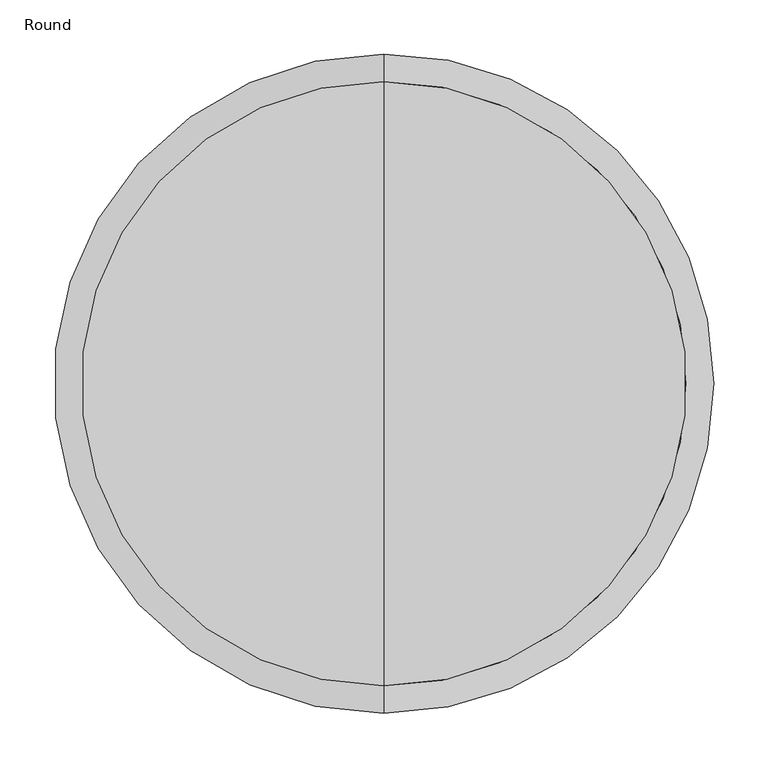
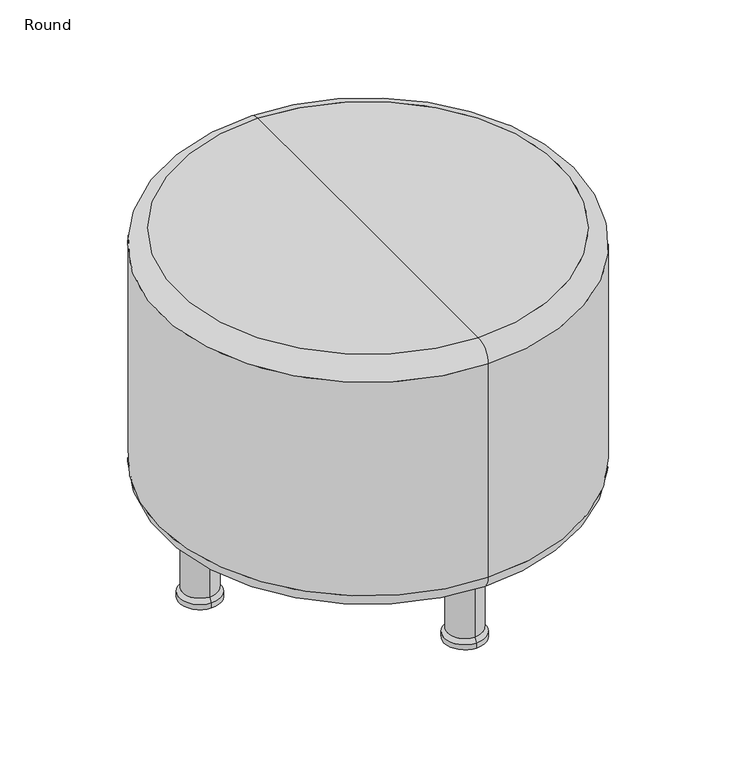
"""IFC4 building model written with IfcOpenShell, lengths in millimetres: furniture geometry, Round."""

import ifcopenshell
import ifcopenshell.guid

model = None  # the IFC model being written
_history = None  # IfcOwnerHistory: only IFC2X3 demands one
_inside = {}  # id of a spatial element -> (the spatial element, [elements in it])
_under = {}  # id of a project, library or spatial element -> (it, [spatial elements below it])
_declared = {}  # id of a project -> (the project, [libraries it declares])
_typed = {}  # id of a type object -> (the type object, [elements of that type])
_made_of = {}  # id of a material, layer set ... -> (it, [elements and type objects made of it])


def new_model(schema):
    """Start an empty IFC model of exactly this schema.

    Asked for "IFC4X3", IfcOpenShell would pick the latest addendum, in which some entities
    have other attributes; the version numbers below select the first issue.
    IFC2X3 requires an IfcOwnerHistory on every rooted entity: one is made here for all.
    """
    global model, _history
    if schema == "IFC4X3":
        model = ifcopenshell.file(schema_version=(4, 3, 0, 0))
    else:
        model = ifcopenshell.file(schema=schema)
    _inside.clear()
    _under.clear()
    _declared.clear()
    _typed.clear()
    _made_of.clear()
    _history = None
    if model.schema == "IFC2X3":
        org = make("IfcOrganization", Name="unknown")
        user = make(
            "IfcPersonAndOrganization",
            ThePerson=make("IfcPerson", FamilyName="unknown"),
            TheOrganization=org,
        )
        app = make(
            "IfcApplication",
            ApplicationDeveloper=org,
            Version="unknown",
            ApplicationFullName="unknown",
            ApplicationIdentifier="unknown",
        )
        _history = make(
            "IfcOwnerHistory",
            OwningUser=user,
            OwningApplication=app,
            ChangeAction="ADDED",
            CreationDate=0,
        )
    return model


def make(cls, **values):
    """One entity of the class cls with the attributes given. An attribute that is None is left unset."""
    return model.create_entity(
        cls, **{name: value for name, value in values.items() if value is not None}
    )


def rooted(cls, **values):
    """An entity with a GlobalId (a new one), such as an element, a storey or a relation."""
    return make(cls, GlobalId=ifcopenshell.guid.new(), OwnerHistory=_history, **values)


def si_unit(unit_type, name, prefix=None):
    """IfcSIUnit, for example si_unit("LENGTHUNIT", "METRE", prefix="MILLI")."""
    return make("IfcSIUnit", UnitType=unit_type, Prefix=prefix, Name=name)


def assignment(units):
    """IfcUnitAssignment: the units of a project."""
    return None if units is None else make("IfcUnitAssignment", Units=units)


def point(xyz):
    """IfcCartesianPoint."""
    return None if xyz is None else make("IfcCartesianPoint", Coordinates=xyz)


def direction(xyz):
    """IfcDirection."""
    return None if xyz is None else make("IfcDirection", DirectionRatios=xyz)


def frame(location, z_axis=None, x_axis=None):
    """IfcAxis2Placement3D, a coordinate frame: its origin and axes. An axis left out is left unset."""
    return make(
        "IfcAxis2Placement3D",
        Location=point(location),
        Axis=direction(z_axis),
        RefDirection=direction(x_axis),
    )


def origin():
    """The frame at (0, 0, 0) with its axes left unset."""
    return frame((0.0, 0.0, 0.0))


def place(relative_to, where):
    """IfcLocalPlacement: puts the frame where relative to a parent placement (None: the world)."""
    return make(
        "IfcLocalPlacement", PlacementRelTo=relative_to, RelativePlacement=where
    )


def context(
    kind, dimensions, precision=None, world=None, true_north=None, identifier=None
):
    """IfcGeometricRepresentationContext, for example the 3D "Model" context."""
    return make(
        "IfcGeometricRepresentationContext",
        ContextIdentifier=identifier,
        ContextType=kind,
        CoordinateSpaceDimension=dimensions,
        Precision=precision,
        WorldCoordinateSystem=world,
        TrueNorth=true_north,
    )


def project(units=None, contexts=None):
    """IfcProject with its units and contexts."""
    return rooted(
        "IfcProject",
        Name="project",
        RepresentationContexts=contexts,
        UnitsInContext=assignment(units),
    )


def spatial(cls, under=None, at=None, **own):
    """A site, building, storey or space (cls), placed at a placement, below another one or the project."""
    s = rooted(cls, ObjectPlacement=at, **own)
    if under is not None:
        _under.setdefault(under.id(), (under, []))[1].append(s)
    return s


def polyline(points):
    """IfcPolyline through the points."""
    return make("IfcPolyline", Points=[point(p) for p in points])


def circle_curve(where, radius):
    """IfcCircle in the frame where."""
    return make("IfcCircle", Position=where, Radius=radius)


def ellipse_curve(where, semi_axis1, semi_axis2):
    """IfcEllipse in the frame where."""
    return make(
        "IfcEllipse", Position=where, SemiAxis1=semi_axis1, SemiAxis2=semi_axis2
    )


def trimmed(basis, trim1, trim2, sense, master):
    """IfcTrimmedCurve: the piece of a basis curve between two trims."""
    return make(
        "IfcTrimmedCurve",
        BasisCurve=basis,
        Trim1=trim1,
        Trim2=trim2,
        SenseAgreement=sense,
        MasterRepresentation=master,
    )


def shape(context_of_items, identifier, shape_type, items):
    """IfcShapeRepresentation: the items that make up one representation, for example the "Body"."""
    return make(
        "IfcShapeRepresentation",
        ContextOfItems=context_of_items,
        RepresentationIdentifier=identifier,
        RepresentationType=shape_type,
        Items=items,
    )


def source(mapping_origin, context_of_items, identifier, shape_type, items):
    """IfcRepresentationMap: a shape defined once, which mapped items show again and again."""
    return make(
        "IfcRepresentationMap",
        MappingOrigin=mapping_origin,
        MappedRepresentation=shape(context_of_items, identifier, shape_type, items),
    )


def transform(
    local_origin,
    x_axis=None,
    y_axis=None,
    z_axis=None,
    scale=None,
    scale2=None,
    scale3=None,
    uniform=True,
):
    """IfcCartesianTransformationOperator3D, or its non-uniform kind. x_axis, y_axis, z_axis: its Axis1, 2, 3."""
    if uniform:
        return make(
            "IfcCartesianTransformationOperator3D",
            Axis1=direction(x_axis),
            Axis2=direction(y_axis),
            LocalOrigin=point(local_origin),
            Scale=scale,
            Axis3=direction(z_axis),
        )
    return make(
        "IfcCartesianTransformationOperator3DnonUniform",
        Axis1=direction(x_axis),
        Axis2=direction(y_axis),
        LocalOrigin=point(local_origin),
        Scale=scale,
        Axis3=direction(z_axis),
        Scale2=scale2,
        Scale3=scale3,
    )


def mapped(mapping_source, mapping_target):
    """IfcMappedItem: shows the shape of a source again, moved by a transform."""
    return make(
        "IfcMappedItem", MappingSource=mapping_source, MappingTarget=mapping_target
    )


def made_of(thing, what):
    """Note that an element or type object is made of a material, layer set ...; save() writes the relation."""
    if what is not None:
        _made_of.setdefault(what.id(), (what, []))[1].append(thing)
    return thing


def element(
    cls,
    number,
    at=None,
    inside=None,
    cuts=None,
    type_object=None,
    material=None,
    context=None,
    identifier="Body",
    shape_type=None,
    held_by="IfcProductDefinitionShape",
    body=None,
    shapes=None,
    **own,
):
    """One element of the class cls, such as IfcWall. Its Tag is "e" and its number.

    at: its placement. inside: the storey or other place that contains it. cuts: it is an
    opening in that element (IfcRelVoidsElement). A single representation is given by context,
    identifier, shape_type and body (its items); several are given by shapes. held_by: the class
    of the entity that holds the representations. save() writes the other relations.
    """
    e = rooted(cls, Tag="e%d" % number, ObjectPlacement=at, **own)
    if body is not None:
        shapes = [shape(context, identifier, shape_type, body)]
    if shapes is not None:
        e.Representation = make(held_by, Representations=shapes)
    if inside is not None:
        _inside.setdefault(inside.id(), (inside, []))[1].append(e)
    if cuts is not None:
        rooted(
            "IfcRelVoidsElement", RelatingBuildingElement=cuts, RelatedOpeningElement=e
        )
    if type_object is not None:
        _typed.setdefault(type_object.id(), (type_object, []))[1].append(e)
    return made_of(e, material)


def aggregate(whole, parts):
    """IfcRelAggregates: a whole, such as a stair, and the parts it consists of."""
    return rooted("IfcRelAggregates", RelatingObject=whole, RelatedObjects=parts)


def save(model, path):
    """Write the relations noted so far, then the file.

    IfcRelAggregates (storeys below a building ...), IfcRelContainedInSpatialStructure (elements
    in a storey), IfcRelDefinesByType, IfcRelAssociatesMaterial and IfcRelDeclares: one each for
    every whole, place, type object, material and project.
    """
    for whole, parts in _under.values():
        aggregate(whole, parts)
    for where, things in _inside.values():
        rooted(
            "IfcRelContainedInSpatialStructure",
            RelatedElements=things,
            RelatingStructure=where,
        )
    for kind, things in _typed.values():
        rooted("IfcRelDefinesByType", RelatedObjects=things, RelatingType=kind)
    for what, things in _made_of.values():
        rooted("IfcRelAssociatesMaterial", RelatedObjects=things, RelatingMaterial=what)
    for by, libraries in _declared.values():
        rooted("IfcRelDeclares", RelatingContext=by, RelatedDefinitions=libraries)
    model.write(path)


def plane_surface(at):
    """IfcPlane: the flat surface through the origin of the frame at, square to its z axis."""
    return make("IfcPlane", Position=at)


def cylinder_surface(at, radius):
    """IfcCylindricalSurface: all points at the distance radius from the z axis of the frame at."""
    return make("IfcCylindricalSurface", Position=at, Radius=radius)


def revolved_surface(curve, axis_point, axis_direction):
    """IfcSurfaceOfRevolution: the curve turned about the line through axis_point along axis_direction."""
    return make(
        "IfcSurfaceOfRevolution",
        SweptCurve=make("IfcArbitraryOpenProfileDef", ProfileType="CURVE", Curve=curve),
        AxisPosition=make("IfcAxis1Placement", Location=point(axis_point), Axis=direction(axis_direction)),
    )


def advanced_brep(points, edges, surfaces, faces):
    """IfcAdvancedBrep: a solid bounded by faces that lie on surfaces and meet in shared edges.

    An edge is (start, end): straight between two places in points (the first is 0);
    or (start, end, curve); or (start, end, curve, False) where it runs against its curve.
    A face is (place in surfaces, loops), or (place, loops, False) where it looks against
    its surface's normal. A loop lists edges by number (the first is 1), with a minus sign
    where the edge is run from its end to its start. The first loop is the outer one.
    """
    corners = [point(p) for p in points]
    vertices = [make("IfcVertexPoint", VertexGeometry=c) for c in corners]
    made = []
    for start, end, *more in edges:
        made.append(
            make(
                "IfcEdgeCurve",
                EdgeStart=vertices[start],
                EdgeEnd=vertices[end],
                EdgeGeometry=more[0] if more else make("IfcPolyline", Points=[corners[start], corners[end]]),
                SameSense=more[1] if len(more) > 1 else True,
            )
        )
    hull = []
    for where, loops, *sense in faces:
        bounds = []
        for j, loop in enumerate(loops):
            ring = [make("IfcOrientedEdge", EdgeElement=made[abs(k) - 1], Orientation=k > 0) for k in loop]
            bounds.append(
                make(
                    "IfcFaceOuterBound" if j == 0 else "IfcFaceBound",
                    Bound=make("IfcEdgeLoop", EdgeList=ring),
                    Orientation=True,
                )
            )
        hull.append(make("IfcAdvancedFace", Bounds=bounds, FaceSurface=surfaces[where], SameSense=sense[0] if sense else True))
    return make("IfcAdvancedBrep", Outer=make("IfcClosedShell", CfsFaces=hull))


def round_df1a7b44(model_context):
    return source(origin(), model_context, "Body", "AdvancedBrep", [
        advanced_brep(
        [(0.0, 279.4889481, 482.5999727), (0.0, -279.4889481, 482.5999727), (0.0, 0.0, 482.5999727), (0.0, 304.8889481, 457.1999727), (0.0, -304.8889481, 457.1999727), (0.0, 304.8889481, 127.0), (0.0, -304.8889481, 127.0), (0.0, 279.4889481, 101.6), (0.0, -279.4889481, 101.6), (0.0, 0.0, 101.6)],
        [
            (0, 1, circle_curve(frame((0.0, 0.0, 482.5999727), z_axis=(0.0, 0.0, 1.0), x_axis=(0.0, -1.0, 0.0)), 279.4889481)),
            (1, 2),
            (2, 0),
            (1, 0, circle_curve(frame((0.0, 0.0, 482.5999727), z_axis=(0.0, 0.0, 1.0), x_axis=(0.0, -1.0, 0.0)), 279.4889481)),
            (3, 4, circle_curve(frame((0.0, 0.0, 457.1999727), z_axis=(0.0, 0.0, 1.0), x_axis=(0.0, -1.0, 0.0)), 304.8889481)),
            (4, 1, circle_curve(frame((0.0, -279.4889481, 457.1999727), z_axis=(-1.0, 0.0, 0.0), x_axis=(0.0, 1.0, 0.0)), 25.4)),
            (0, 3, circle_curve(frame((0.0, 279.4889481, 457.1999727), z_axis=(-1.0, 0.0, 0.0), x_axis=(0.0, -1.0, 0.0)), 25.4)),
            (4, 3, circle_curve(frame((0.0, 0.0, 457.1999727), z_axis=(0.0, 0.0, 1.0), x_axis=(0.0, -1.0, 0.0)), 304.8889481)),
            (5, 6, circle_curve(frame((0.0, 0.0, 127.0), z_axis=(0.0, 0.0, 1.0), x_axis=(0.0, -1.0, 0.0)), 304.8889481)),
            (6, 4),
            (3, 5),
            (6, 5, circle_curve(frame((0.0, 0.0, 127.0), z_axis=(0.0, 0.0, 1.0), x_axis=(0.0, -1.0, 0.0)), 304.8889481)),
            (7, 8, circle_curve(frame((0.0, 0.0, 101.6), z_axis=(0.0, 0.0, 1.0), x_axis=(0.0, -1.0, 0.0)), 279.4889481)),
            (8, 6, circle_curve(frame((0.0, -279.4889481, 127.0), z_axis=(-1.0, 0.0, 0.0), x_axis=(0.0, 1.0, 0.0)), 25.4)),
            (5, 7, circle_curve(frame((0.0, 279.4889481, 127.0), z_axis=(-1.0, 0.0, 0.0), x_axis=(0.0, -1.0, 0.0)), 25.4)),
            (8, 7, circle_curve(frame((0.0, 0.0, 101.6), z_axis=(0.0, 0.0, 1.0), x_axis=(0.0, -1.0, 0.0)), 279.4889481)),
            (9, 8),
            (7, 9),
        ],
        [
            plane_surface(frame((0.0, 0.0, 482.5999727), z_axis=(0.0, 0.0, 1.0), x_axis=(0.0, -1.0, 0.0))),
            revolved_surface(trimmed(ellipse_curve(frame((0.0, -279.4889481, 457.1999727), z_axis=(1.0, 0.0, 0.0), x_axis=(0.0, 1.0, 0.0)), 25.4, 25.4), [point((0.0, -279.4889481, 482.5999727))], [point((0.0, -304.8889481, 457.1999727))], True, "CARTESIAN"), (0.0, 0.0, 315.1007369), (0.0, 0.0, -1.0)),
            cylinder_surface(frame((0.0, 0.0, 315.1007369), z_axis=(0.0, 0.0, -1.0), x_axis=(0.0, -1.0, 0.0)), 304.8889481),
            revolved_surface(trimmed(ellipse_curve(frame((0.0, -279.4889481, 127.0), z_axis=(1.0, 0.0, 0.0), x_axis=(0.0, 1.0, 0.0)), 25.4, 25.4), [point((0.0, -304.8889481, 127.0))], [point((0.0, -279.4889481, 101.6))], True, "CARTESIAN"), (0.0, 0.0, 315.1007369), (0.0, 0.0, -1.0)),
            plane_surface(frame((0.0, 0.0, 101.6), z_axis=(0.0, 0.0, -1.0), x_axis=(0.0, -1.0, 0.0))),
        ],
        [
            (0, [[1, 2, 3]]),
            (0, [[4, -3, -2]]),
            (1, [[5, 6, -1, 7]]),
            (1, [[8, -7, -4, -6]]),
            (2, [[9, 10, -5, 11]]),
            (2, [[12, -11, -8, -10]]),
            (3, [[13, 14, -9, 15]]),
            (3, [[16, -15, -12, -14]]),
            (4, [[17, -13, 18]]),
            (4, [[-18, -16, -17]]),
        ],
    ),
        advanced_brep(
        [(-246.3731326, -30.9381236, 0.0), (-246.3731326, -0.8303683, 0.0), (-246.3731326, 29.277387, 0.0), (-246.3731326, -30.9381236, 7.688854), (-246.3731326, 29.277387, 7.688854), (-246.3731326, -26.2049822, 13.9699447), (-246.3731326, 24.5442457, 13.9699447), (-246.3731326, -26.2049822, 101.6), (-246.3731326, 24.5442457, 101.6), (-246.3731326, -0.8303683, 101.6)],
        [
            (0, 1),
            (1, 2),
            (2, 0, circle_curve(frame((-246.3731326, -0.8303683, 0.0), z_axis=(0.0, 0.0, -1.0), x_axis=(0.0, 1.0, 0.0)), 30.1077553)),
            (0, 2, circle_curve(frame((-246.3731326, -0.8303683, 0.0), z_axis=(0.0, 0.0, -1.0), x_axis=(0.0, 1.0, 0.0)), 30.1077553)),
            (3, 0),
            (2, 4),
            (4, 3, circle_curve(frame((-246.3731326, -0.8303683, 7.688854), z_axis=(0.0, 0.0, -1.0), x_axis=(0.0, 1.0, 0.0)), 30.1077553)),
            (3, 4, circle_curve(frame((-246.3731326, -0.8303683, 7.688854), z_axis=(0.0, 0.0, -1.0), x_axis=(0.0, 1.0, 0.0)), 30.1077553)),
            (5, 3),
            (4, 6),
            (6, 5, circle_curve(frame((-246.3731326, -0.8303683, 13.9699447), z_axis=(0.0, 0.0, -1.0), x_axis=(0.0, 1.0, 0.0)), 25.374614)),
            (5, 6, circle_curve(frame((-246.3731326, -0.8303683, 13.9699447), z_axis=(0.0, 0.0, -1.0), x_axis=(0.0, 1.0, 0.0)), 25.374614)),
            (7, 5),
            (6, 8),
            (8, 7, circle_curve(frame((-246.3731326, -0.8303683, 101.6), z_axis=(0.0, 0.0, -1.0), x_axis=(0.0, 1.0, 0.0)), 25.374614)),
            (7, 8, circle_curve(frame((-246.3731326, -0.8303683, 101.6), z_axis=(0.0, 0.0, -1.0), x_axis=(0.0, 1.0, 0.0)), 25.374614)),
            (9, 7),
            (8, 9),
        ],
        [
            plane_surface(frame((-246.3731326, -0.8303683, 0.0), z_axis=(0.0, 0.0, -1.0), x_axis=(0.0, 1.0, 0.0))),
            cylinder_surface(frame((-246.3731326, -0.8303683, 93.7259863), z_axis=(0.0, 0.0, 1.0), x_axis=(0.0, 1.0, 0.0)), 30.1077553),
            revolved_surface(polyline([(-246.3731326, 29.277387, 7.688854), (-246.3731326, 24.5442457, 13.9699447)]), (-246.3731326, -0.8303683, 93.7259863), (0.0, 0.0, 1.0)),
            cylinder_surface(frame((-246.3731326, -0.8303683, 93.7259863), z_axis=(0.0, 0.0, 1.0), x_axis=(0.0, 1.0, 0.0)), 25.374614),
            plane_surface(frame((-246.3731326, -0.8303683, 101.6), z_axis=(0.0, 0.0, 1.0), x_axis=(0.0, 1.0, 0.0))),
        ],
        [
            (0, [[1, 2, 3]]),
            (0, [[-2, -1, 4]]),
            (1, [[5, -3, 6, 7]]),
            (1, [[-6, -4, -5, 8]]),
            (2, [[9, -7, 10, 11]]),
            (2, [[-10, -8, -9, 12]]),
            (3, [[13, -11, 14, 15]]),
            (3, [[-14, -12, -13, 16]]),
            (4, [[17, -15, 18]]),
            (4, [[-18, -16, -17]]),
        ],
    ),
        advanced_brep(
        [(0.0, -215.435009, 0.0), (0.0, -245.5427643, 0.0), (0.0, -275.6505196, 0.0), (0.0, -215.435009, 7.688854), (0.0, -275.6505196, 7.688854), (0.0, -220.1681503, 13.9699447), (0.0, -270.9173782, 13.9699447), (0.0, -220.1681503, 101.6), (0.0, -270.9173782, 101.6), (0.0, -245.5427643, 101.6)],
        [
            (0, 1),
            (1, 2),
            (2, 0, circle_curve(frame((0.0, -245.5427643, 0.0), z_axis=(0.0, 0.0, -1.0), x_axis=(0.0, -1.0, 0.0)), 30.1077553)),
            (0, 2, circle_curve(frame((0.0, -245.5427643, 0.0), z_axis=(0.0, 0.0, -1.0), x_axis=(0.0, -1.0, 0.0)), 30.1077553)),
            (3, 0),
            (2, 4),
            (4, 3, circle_curve(frame((0.0, -245.5427643, 7.688854), z_axis=(0.0, 0.0, -1.0), x_axis=(0.0, -1.0, 0.0)), 30.1077553)),
            (3, 4, circle_curve(frame((0.0, -245.5427643, 7.688854), z_axis=(0.0, 0.0, -1.0), x_axis=(0.0, -1.0, 0.0)), 30.1077553)),
            (5, 3),
            (4, 6),
            (6, 5, circle_curve(frame((0.0, -245.5427643, 13.9699447), z_axis=(0.0, 0.0, -1.0), x_axis=(0.0, -1.0, 0.0)), 25.374614)),
            (5, 6, circle_curve(frame((0.0, -245.5427643, 13.9699447), z_axis=(0.0, 0.0, -1.0), x_axis=(0.0, -1.0, 0.0)), 25.374614)),
            (7, 5),
            (6, 8),
            (8, 7, circle_curve(frame((0.0, -245.5427643, 101.6), z_axis=(0.0, 0.0, -1.0), x_axis=(0.0, -1.0, 0.0)), 25.374614)),
            (7, 8, circle_curve(frame((0.0, -245.5427643, 101.6), z_axis=(0.0, 0.0, -1.0), x_axis=(0.0, -1.0, 0.0)), 25.374614)),
            (9, 7),
            (8, 9),
        ],
        [
            plane_surface(frame((0.0, -245.5427643, 0.0), z_axis=(0.0, 0.0, -1.0), x_axis=(0.0, -1.0, 0.0))),
            cylinder_surface(frame((0.0, -245.5427643, 93.7259863), z_axis=(0.0, 0.0, 1.0), x_axis=(0.0, -1.0, 0.0)), 30.1077553),
            revolved_surface(polyline([(0.0, -275.6505196, 7.688854), (0.0, -270.9173782, 13.9699447)]), (0.0, -245.5427643, 93.7259863), (0.0, 0.0, 1.0)),
            cylinder_surface(frame((0.0, -245.5427643, 93.7259863), z_axis=(0.0, 0.0, 1.0), x_axis=(0.0, -1.0, 0.0)), 25.374614),
            plane_surface(frame((0.0, -245.5427643, 101.6), z_axis=(0.0, 0.0, 1.0), x_axis=(0.0, -1.0, 0.0))),
        ],
        [
            (0, [[1, 2, 3]]),
            (0, [[-2, -1, 4]]),
            (1, [[5, -3, 6, 7]]),
            (1, [[-6, -4, -5, 8]]),
            (2, [[9, -7, 10, 11]]),
            (2, [[-10, -8, -9, 12]]),
            (3, [[13, -11, 14, 15]]),
            (3, [[-14, -12, -13, 16]]),
            (4, [[17, -15, 18]]),
            (4, [[-18, -16, -17]]),
        ],
    ),
        advanced_brep(
        [(246.3731326, -30.9381236, 0.0), (246.3731326, 29.277387, 0.0), (246.3731326, -0.8303683, 0.0), (246.3731326, -30.9381236, 7.688854), (246.3731326, 29.277387, 7.688854), (246.3731326, -26.2049822, 13.9699447), (246.3731326, 24.5442457, 13.9699447), (246.3731326, -26.2049822, 101.6), (246.3731326, 24.5442457, 101.6), (246.3731326, -0.8303683, 101.6)],
        [
            (0, 1, circle_curve(frame((246.3731326, -0.8303683, 0.0), z_axis=(0.0, 0.0, -1.0), x_axis=(0.0, 1.0, 0.0)), 30.1077553)),
            (1, 2),
            (2, 0),
            (1, 0, circle_curve(frame((246.3731326, -0.8303683, 0.0), z_axis=(0.0, 0.0, -1.0), x_axis=(0.0, 1.0, 0.0)), 30.1077553)),
            (3, 4, circle_curve(frame((246.3731326, -0.8303683, 7.688854), z_axis=(0.0, 0.0, -1.0), x_axis=(0.0, 1.0, 0.0)), 30.1077553)),
            (4, 1),
            (0, 3),
            (4, 3, circle_curve(frame((246.3731326, -0.8303683, 7.688854), z_axis=(0.0, 0.0, -1.0), x_axis=(0.0, 1.0, 0.0)), 30.1077553)),
            (5, 6, circle_curve(frame((246.3731326, -0.8303683, 13.9699447), z_axis=(0.0, 0.0, -1.0), x_axis=(0.0, 1.0, 0.0)), 25.374614)),
            (6, 4),
            (3, 5),
            (6, 5, circle_curve(frame((246.3731326, -0.8303683, 13.9699447), z_axis=(0.0, 0.0, -1.0), x_axis=(0.0, 1.0, 0.0)), 25.374614)),
            (7, 8, circle_curve(frame((246.3731326, -0.8303683, 101.6), z_axis=(0.0, 0.0, -1.0), x_axis=(0.0, 1.0, 0.0)), 25.374614)),
            (8, 6),
            (5, 7),
            (8, 7, circle_curve(frame((246.3731326, -0.8303683, 101.6), z_axis=(0.0, 0.0, -1.0), x_axis=(0.0, 1.0, 0.0)), 25.374614)),
            (9, 8),
            (7, 9),
        ],
        [
            plane_surface(frame((246.3731326, -0.8303683, 0.0), z_axis=(0.0, 0.0, -1.0), x_axis=(0.0, 1.0, 0.0))),
            cylinder_surface(frame((246.3731326, -0.8303683, 93.7259863), z_axis=(0.0, 0.0, 1.0), x_axis=(0.0, 1.0, 0.0)), 30.1077553),
            revolved_surface(polyline([(246.3731326, 29.277387, 7.688854), (246.3731326, 24.5442457, 13.9699447)]), (246.3731326, -0.8303683, 93.7259863), (0.0, 0.0, 1.0)),
            cylinder_surface(frame((246.3731326, -0.8303683, 93.7259863), z_axis=(0.0, 0.0, 1.0), x_axis=(0.0, 1.0, 0.0)), 25.374614),
            plane_surface(frame((246.3731326, -0.8303683, 101.6), z_axis=(0.0, 0.0, 1.0), x_axis=(0.0, 1.0, 0.0))),
        ],
        [
            (0, [[1, 2, 3]]),
            (0, [[4, -3, -2]]),
            (1, [[5, 6, -1, 7]]),
            (1, [[8, -7, -4, -6]]),
            (2, [[9, 10, -5, 11]]),
            (2, [[12, -11, -8, -10]]),
            (3, [[13, 14, -9, 15]]),
            (3, [[16, -15, -12, -14]]),
            (4, [[17, -13, 18]]),
            (4, [[-18, -16, -17]]),
        ],
    ),
        advanced_brep(
        [(0.0, 215.435009, 0.0), (0.0, 275.6505196, 0.0), (0.0, 245.5427643, 0.0), (0.0, 215.435009, 7.688854), (0.0, 275.6505196, 7.688854), (0.0, 220.1681503, 13.9699447), (0.0, 270.9173782, 13.9699447), (0.0, 220.1681503, 101.6), (0.0, 270.9173782, 101.6), (0.0, 245.5427643, 101.6)],
        [
            (0, 1, circle_curve(frame((0.0, 245.5427643, 0.0), z_axis=(0.0, 0.0, -1.0), x_axis=(0.0, 1.0, 0.0)), 30.1077553)),
            (1, 2),
            (2, 0),
            (1, 0, circle_curve(frame((0.0, 245.5427643, 0.0), z_axis=(0.0, 0.0, -1.0), x_axis=(0.0, 1.0, 0.0)), 30.1077553)),
            (3, 4, circle_curve(frame((0.0, 245.5427643, 7.688854), z_axis=(0.0, 0.0, -1.0), x_axis=(0.0, 1.0, 0.0)), 30.1077553)),
            (4, 1),
            (0, 3),
            (4, 3, circle_curve(frame((0.0, 245.5427643, 7.688854), z_axis=(0.0, 0.0, -1.0), x_axis=(0.0, 1.0, 0.0)), 30.1077553)),
            (5, 6, circle_curve(frame((0.0, 245.5427643, 13.9699447), z_axis=(0.0, 0.0, -1.0), x_axis=(0.0, 1.0, 0.0)), 25.374614)),
            (6, 4),
            (3, 5),
            (6, 5, circle_curve(frame((0.0, 245.5427643, 13.9699447), z_axis=(0.0, 0.0, -1.0), x_axis=(0.0, 1.0, 0.0)), 25.374614)),
            (7, 8, circle_curve(frame((0.0, 245.5427643, 101.6), z_axis=(0.0, 0.0, -1.0), x_axis=(0.0, 1.0, 0.0)), 25.374614)),
            (8, 6),
            (5, 7),
            (8, 7, circle_curve(frame((0.0, 245.5427643, 101.6), z_axis=(0.0, 0.0, -1.0), x_axis=(0.0, 1.0, 0.0)), 25.374614)),
            (9, 8),
            (7, 9),
        ],
        [
            plane_surface(frame((0.0, 245.5427643, 0.0), z_axis=(0.0, 0.0, -1.0), x_axis=(0.0, 1.0, 0.0))),
            cylinder_surface(frame((0.0, 245.5427643, 93.7259863), z_axis=(0.0, 0.0, 1.0), x_axis=(0.0, 1.0, 0.0)), 30.1077553),
            revolved_surface(polyline([(0.0, 275.6505196, 7.688854), (0.0, 270.9173782, 13.9699447)]), (0.0, 245.5427643, 93.7259863), (0.0, 0.0, 1.0)),
            cylinder_surface(frame((0.0, 245.5427643, 93.7259863), z_axis=(0.0, 0.0, 1.0), x_axis=(0.0, 1.0, 0.0)), 25.374614),
            plane_surface(frame((0.0, 245.5427643, 101.6), z_axis=(0.0, 0.0, 1.0), x_axis=(0.0, 1.0, 0.0))),
        ],
        [
            (0, [[1, 2, 3]]),
            (0, [[4, -3, -2]]),
            (1, [[5, 6, -1, 7]]),
            (1, [[8, -7, -4, -6]]),
            (2, [[9, 10, -5, 11]]),
            (2, [[12, -11, -8, -10]]),
            (3, [[13, 14, -9, 15]]),
            (3, [[16, -15, -12, -14]]),
            (4, [[17, -13, 18]]),
            (4, [[-18, -16, -17]]),
        ],
    ),
    ])


if __name__ == "__main__":
    model = new_model("IFC4")
    model_context = context("Model", 3, world=origin())
    ifc_project = project(units=[si_unit("LENGTHUNIT", "METRE", prefix="MILLI")], contexts=[model_context])
    site = spatial("IfcSite", under=ifc_project)
    building = spatial("IfcBuilding", under=site)
    placement = place(None, origin())
    ifc_round_shape = round_df1a7b44(model_context)
    element("IfcFurniture", 1, ObjectType="Round", at=placement, inside=building, context=model_context, shape_type="MappedRepresentation", body=[
        mapped(ifc_round_shape, transform((0.0, 0.0, 0.0), x_axis=(1.0, 0.0, 0.0), y_axis=(0.0, 1.0, 0.0), z_axis=(0.0, 0.0, 1.0))),
    ])
    save(model, "model.ifc")
